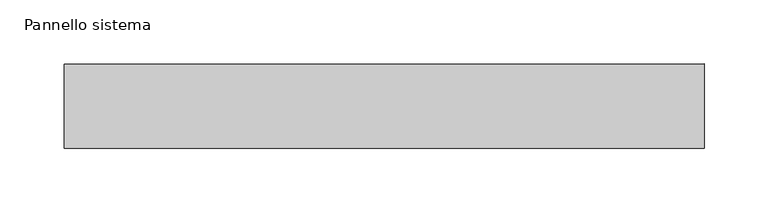
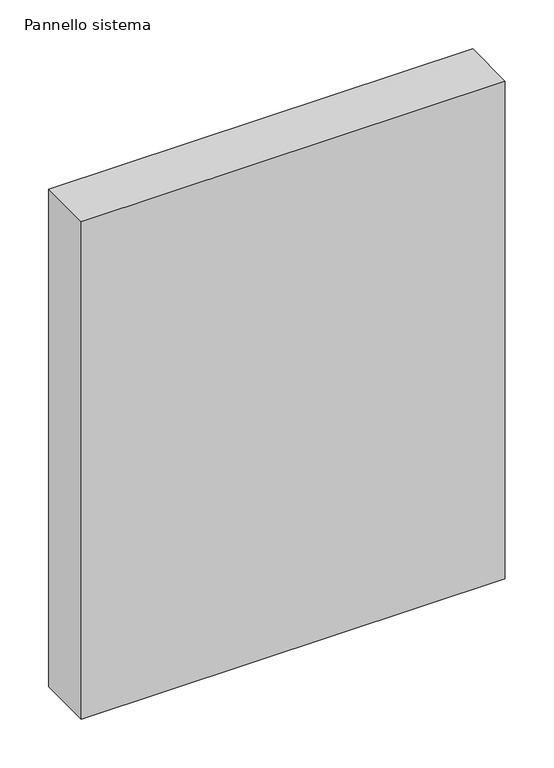
"""IFC4 building model written with IfcOpenShell, lengths in millimetres: plate geometry, Pannello sistema."""

from ifc_helpers import new_model, si_unit, origin, origin_with_axes, place, context, project, spatial, polyline, outline, extrude, source, transform, mapped, element, save


def pannello_sistema_8477a332(model_context):
    return source(origin(), model_context, "Body", "SweptSolid", [
        extrude(outline(polyline([(250.0, -33.0), (-250.0, -33.0), (-250.0, 33.0), (250.0, 33.0), (250.0, -33.0)])), origin_with_axes(), (0.0, 0.0, 1.0), 620.0),
    ])


if __name__ == "__main__":
    model = new_model("IFC4")
    model_context = context("Model", 3, world=origin())
    ifc_project = project(units=[si_unit("LENGTHUNIT", "METRE", prefix="MILLI")], contexts=[model_context])
    site = spatial("IfcSite", under=ifc_project)
    building = spatial("IfcBuilding", under=site)
    placement = place(None, origin())
    pannello_sistema_shape = pannello_sistema_8477a332(model_context)
    element("IfcPlate", 1, ObjectType="Pannello sistema", at=placement, inside=building, context=model_context, shape_type="MappedRepresentation", body=[
        mapped(pannello_sistema_shape, transform((0.0, 0.0, 0.0), x_axis=(1.0, 0.0, 0.0), y_axis=(0.0, 1.0, 0.0), z_axis=(0.0, 0.0, 1.0))),
    ])
    save(model, "model.ifc")
